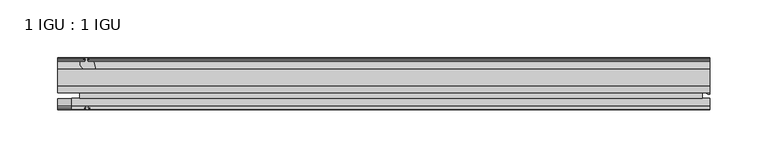
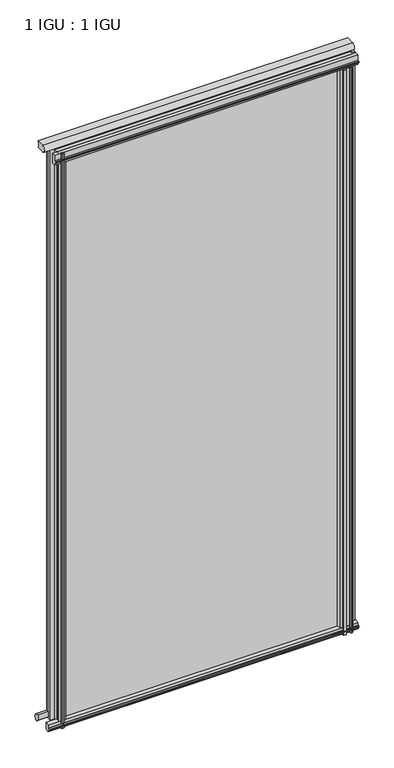
"""IFC4 building model written with IfcOpenShell, lengths in millimetres: plate geometry, 1 IGU : 1 IGU."""

import ifcopenshell
import ifcopenshell.guid

model = None  # the IFC model being written
_history = None  # IfcOwnerHistory: only IFC2X3 demands one
_inside = {}  # id of a spatial element -> (the spatial element, [elements in it])
_under = {}  # id of a project, library or spatial element -> (it, [spatial elements below it])
_declared = {}  # id of a project -> (the project, [libraries it declares])
_typed = {}  # id of a type object -> (the type object, [elements of that type])
_made_of = {}  # id of a material, layer set ... -> (it, [elements and type objects made of it])


def new_model(schema):
    """Start an empty IFC model of exactly this schema.

    Asked for "IFC4X3", IfcOpenShell would pick the latest addendum, in which some entities
    have other attributes; the version numbers below select the first issue.
    IFC2X3 requires an IfcOwnerHistory on every rooted entity: one is made here for all.
    """
    global model, _history
    if schema == "IFC4X3":
        model = ifcopenshell.file(schema_version=(4, 3, 0, 0))
    else:
        model = ifcopenshell.file(schema=schema)
    _inside.clear()
    _under.clear()
    _declared.clear()
    _typed.clear()
    _made_of.clear()
    _history = None
    if model.schema == "IFC2X3":
        org = make("IfcOrganization", Name="unknown")
        user = make(
            "IfcPersonAndOrganization",
            ThePerson=make("IfcPerson", FamilyName="unknown"),
            TheOrganization=org,
        )
        app = make(
            "IfcApplication",
            ApplicationDeveloper=org,
            Version="unknown",
            ApplicationFullName="unknown",
            ApplicationIdentifier="unknown",
        )
        _history = make(
            "IfcOwnerHistory",
            OwningUser=user,
            OwningApplication=app,
            ChangeAction="ADDED",
            CreationDate=0,
        )
    return model


def make(cls, **values):
    """One entity of the class cls with the attributes given. An attribute that is None is left unset."""
    return model.create_entity(
        cls, **{name: value for name, value in values.items() if value is not None}
    )


def rooted(cls, **values):
    """An entity with a GlobalId (a new one), such as an element, a storey or a relation."""
    return make(cls, GlobalId=ifcopenshell.guid.new(), OwnerHistory=_history, **values)


def si_unit(unit_type, name, prefix=None):
    """IfcSIUnit, for example si_unit("LENGTHUNIT", "METRE", prefix="MILLI")."""
    return make("IfcSIUnit", UnitType=unit_type, Prefix=prefix, Name=name)


def assignment(units):
    """IfcUnitAssignment: the units of a project."""
    return None if units is None else make("IfcUnitAssignment", Units=units)


def point(xyz):
    """IfcCartesianPoint."""
    return None if xyz is None else make("IfcCartesianPoint", Coordinates=xyz)


def direction(xyz):
    """IfcDirection."""
    return None if xyz is None else make("IfcDirection", DirectionRatios=xyz)


def frame(location, z_axis=None, x_axis=None):
    """IfcAxis2Placement3D, a coordinate frame: its origin and axes. An axis left out is left unset."""
    return make(
        "IfcAxis2Placement3D",
        Location=point(location),
        Axis=direction(z_axis),
        RefDirection=direction(x_axis),
    )


def frame_2d(location, x_axis=None):
    """IfcAxis2Placement2D, a coordinate frame in the plane: its origin and x axis."""
    return make(
        "IfcAxis2Placement2D", Location=point(location), RefDirection=direction(x_axis)
    )


def origin():
    """The frame at (0, 0, 0) with its axes left unset."""
    return frame((0.0, 0.0, 0.0))


def place(relative_to, where):
    """IfcLocalPlacement: puts the frame where relative to a parent placement (None: the world)."""
    return make(
        "IfcLocalPlacement", PlacementRelTo=relative_to, RelativePlacement=where
    )


def context(
    kind, dimensions, precision=None, world=None, true_north=None, identifier=None
):
    """IfcGeometricRepresentationContext, for example the 3D "Model" context."""
    return make(
        "IfcGeometricRepresentationContext",
        ContextIdentifier=identifier,
        ContextType=kind,
        CoordinateSpaceDimension=dimensions,
        Precision=precision,
        WorldCoordinateSystem=world,
        TrueNorth=true_north,
    )


def project(units=None, contexts=None):
    """IfcProject with its units and contexts."""
    return rooted(
        "IfcProject",
        Name="project",
        RepresentationContexts=contexts,
        UnitsInContext=assignment(units),
    )


def spatial(cls, under=None, at=None, **own):
    """A site, building, storey or space (cls), placed at a placement, below another one or the project."""
    s = rooted(cls, ObjectPlacement=at, **own)
    if under is not None:
        _under.setdefault(under.id(), (under, []))[1].append(s)
    return s


def polyline(points):
    """IfcPolyline through the points."""
    return make("IfcPolyline", Points=[point(p) for p in points])


def circle_curve(where, radius):
    """IfcCircle in the frame where."""
    return make("IfcCircle", Position=where, Radius=radius)


def ellipse_curve(where, semi_axis1, semi_axis2):
    """IfcEllipse in the frame where."""
    return make(
        "IfcEllipse", Position=where, SemiAxis1=semi_axis1, SemiAxis2=semi_axis2
    )


def trimmed(basis, trim1, trim2, sense, master):
    """IfcTrimmedCurve: the piece of a basis curve between two trims."""
    return make(
        "IfcTrimmedCurve",
        BasisCurve=basis,
        Trim1=trim1,
        Trim2=trim2,
        SenseAgreement=sense,
        MasterRepresentation=master,
    )


def segment(curve, same_sense, transition):
    """IfcCompositeCurveSegment."""
    return make(
        "IfcCompositeCurveSegment",
        Transition=transition,
        SameSense=same_sense,
        ParentCurve=curve,
    )


def composite_curve(segments, self_intersect=None):
    """IfcCompositeCurve: segments joined end to end."""
    return make("IfcCompositeCurve", Segments=segments, SelfIntersect=self_intersect)


def outline(outer, holes=None, kind="AREA"):
    """IfcArbitraryClosedProfileDef: a profile drawn as a closed curve; with holes, ...WithVoids."""
    if holes is None:
        return make("IfcArbitraryClosedProfileDef", ProfileType=kind, OuterCurve=outer)
    return make(
        "IfcArbitraryProfileDefWithVoids",
        ProfileType=kind,
        OuterCurve=outer,
        InnerCurves=holes,
    )


def extrude(swept, where, along, depth):
    """IfcExtrudedAreaSolid: the profile swept, set in the frame where, extruded along a direction by depth."""
    return make(
        "IfcExtrudedAreaSolid",
        SweptArea=swept,
        Position=where,
        ExtrudedDirection=direction(along),
        Depth=depth,
    )


def shape(context_of_items, identifier, shape_type, items):
    """IfcShapeRepresentation: the items that make up one representation, for example the "Body"."""
    return make(
        "IfcShapeRepresentation",
        ContextOfItems=context_of_items,
        RepresentationIdentifier=identifier,
        RepresentationType=shape_type,
        Items=items,
    )


def source(mapping_origin, context_of_items, identifier, shape_type, items):
    """IfcRepresentationMap: a shape defined once, which mapped items show again and again."""
    return make(
        "IfcRepresentationMap",
        MappingOrigin=mapping_origin,
        MappedRepresentation=shape(context_of_items, identifier, shape_type, items),
    )


def transform(
    local_origin,
    x_axis=None,
    y_axis=None,
    z_axis=None,
    scale=None,
    scale2=None,
    scale3=None,
    uniform=True,
):
    """IfcCartesianTransformationOperator3D, or its non-uniform kind. x_axis, y_axis, z_axis: its Axis1, 2, 3."""
    if uniform:
        return make(
            "IfcCartesianTransformationOperator3D",
            Axis1=direction(x_axis),
            Axis2=direction(y_axis),
            LocalOrigin=point(local_origin),
            Scale=scale,
            Axis3=direction(z_axis),
        )
    return make(
        "IfcCartesianTransformationOperator3DnonUniform",
        Axis1=direction(x_axis),
        Axis2=direction(y_axis),
        LocalOrigin=point(local_origin),
        Scale=scale,
        Axis3=direction(z_axis),
        Scale2=scale2,
        Scale3=scale3,
    )


def mapped(mapping_source, mapping_target):
    """IfcMappedItem: shows the shape of a source again, moved by a transform."""
    return make(
        "IfcMappedItem", MappingSource=mapping_source, MappingTarget=mapping_target
    )


def made_of(thing, what):
    """Note that an element or type object is made of a material, layer set ...; save() writes the relation."""
    if what is not None:
        _made_of.setdefault(what.id(), (what, []))[1].append(thing)
    return thing


def element(
    cls,
    number,
    at=None,
    inside=None,
    cuts=None,
    type_object=None,
    material=None,
    context=None,
    identifier="Body",
    shape_type=None,
    held_by="IfcProductDefinitionShape",
    body=None,
    shapes=None,
    **own,
):
    """One element of the class cls, such as IfcWall. Its Tag is "e" and its number.

    at: its placement. inside: the storey or other place that contains it. cuts: it is an
    opening in that element (IfcRelVoidsElement). A single representation is given by context,
    identifier, shape_type and body (its items); several are given by shapes. held_by: the class
    of the entity that holds the representations. save() writes the other relations.
    """
    e = rooted(cls, Tag="e%d" % number, ObjectPlacement=at, **own)
    if body is not None:
        shapes = [shape(context, identifier, shape_type, body)]
    if shapes is not None:
        e.Representation = make(held_by, Representations=shapes)
    if inside is not None:
        _inside.setdefault(inside.id(), (inside, []))[1].append(e)
    if cuts is not None:
        rooted(
            "IfcRelVoidsElement", RelatingBuildingElement=cuts, RelatedOpeningElement=e
        )
    if type_object is not None:
        _typed.setdefault(type_object.id(), (type_object, []))[1].append(e)
    return made_of(e, material)


def aggregate(whole, parts):
    """IfcRelAggregates: a whole, such as a stair, and the parts it consists of."""
    return rooted("IfcRelAggregates", RelatingObject=whole, RelatedObjects=parts)


def save(model, path):
    """Write the relations noted so far, then the file.

    IfcRelAggregates (storeys below a building ...), IfcRelContainedInSpatialStructure (elements
    in a storey), IfcRelDefinesByType, IfcRelAssociatesMaterial and IfcRelDeclares: one each for
    every whole, place, type object, material and project.
    """
    for whole, parts in _under.values():
        aggregate(whole, parts)
    for where, things in _inside.values():
        rooted(
            "IfcRelContainedInSpatialStructure",
            RelatedElements=things,
            RelatingStructure=where,
        )
    for kind, things in _typed.values():
        rooted("IfcRelDefinesByType", RelatedObjects=things, RelatingType=kind)
    for what, things in _made_of.values():
        rooted("IfcRelAssociatesMaterial", RelatedObjects=things, RelatingMaterial=what)
    for by, libraries in _declared.values():
        rooted("IfcRelDeclares", RelatingContext=by, RelatedDefinitions=libraries)
    model.write(path)


def plane_surface(at):
    """IfcPlane: the flat surface through the origin of the frame at, square to its z axis."""
    return make("IfcPlane", Position=at)


def cylinder_surface(at, radius):
    """IfcCylindricalSurface: all points at the distance radius from the z axis of the frame at."""
    return make("IfcCylindricalSurface", Position=at, Radius=radius)


def revolved_surface(curve, axis_point, axis_direction):
    """IfcSurfaceOfRevolution: the curve turned about the line through axis_point along axis_direction."""
    return make(
        "IfcSurfaceOfRevolution",
        SweptCurve=make("IfcArbitraryOpenProfileDef", ProfileType="CURVE", Curve=curve),
        AxisPosition=make("IfcAxis1Placement", Location=point(axis_point), Axis=direction(axis_direction)),
    )


def extruded_surface(curve, direction_of_extrusion, depth):
    """IfcSurfaceOfLinearExtrusion: the curve pushed along a direction by depth."""
    return make(
        "IfcSurfaceOfLinearExtrusion",
        SweptCurve=make("IfcArbitraryOpenProfileDef", ProfileType="CURVE", Curve=curve),
        ExtrudedDirection=direction(direction_of_extrusion),
        Depth=depth,
    )


def advanced_brep(points, edges, surfaces, faces):
    """IfcAdvancedBrep: a solid bounded by faces that lie on surfaces and meet in shared edges.

    An edge is (start, end): straight between two places in points (the first is 0);
    or (start, end, curve); or (start, end, curve, False) where it runs against its curve.
    A face is (place in surfaces, loops), or (place, loops, False) where it looks against
    its surface's normal. A loop lists edges by number (the first is 1), with a minus sign
    where the edge is run from its end to its start. The first loop is the outer one.
    """
    corners = [point(p) for p in points]
    vertices = [make("IfcVertexPoint", VertexGeometry=c) for c in corners]
    made = []
    for start, end, *more in edges:
        made.append(
            make(
                "IfcEdgeCurve",
                EdgeStart=vertices[start],
                EdgeEnd=vertices[end],
                EdgeGeometry=more[0] if more else make("IfcPolyline", Points=[corners[start], corners[end]]),
                SameSense=more[1] if len(more) > 1 else True,
            )
        )
    hull = []
    for where, loops, *sense in faces:
        bounds = []
        for j, loop in enumerate(loops):
            ring = [make("IfcOrientedEdge", EdgeElement=made[abs(k) - 1], Orientation=k > 0) for k in loop]
            bounds.append(
                make(
                    "IfcFaceOuterBound" if j == 0 else "IfcFaceBound",
                    Bound=make("IfcEdgeLoop", EdgeList=ring),
                    Orientation=True,
                )
            )
        hull.append(make("IfcAdvancedFace", Bounds=bounds, FaceSurface=surfaces[where], SameSense=sense[0] if sense else True))
    return make("IfcAdvancedBrep", Outer=make("IfcClosedShell", CfsFaces=hull))


def plate_1_igu_1_igu_7cd8f850(model_context):
    return source(origin(), model_context, "Body", "SolidModel", [
        extrude(outline(polyline([(-263.5249999, -38.6468937), (276.2249999, -38.6468937), (276.2249999, -44.9460938), (-263.5249999, -44.9460938), (-263.5249999, -38.6468937)])), frame((0.0, 0.0, -12.7), z_axis=(0.0, 0.0, 1.0), x_axis=(1.0, 0.0, 0.0)), (0.0, 0.0, 1.0), 1106.5764186),
        extrude(outline(polyline([(-263.5249999, -19.5460937), (276.2249999, -19.5460937), (276.2249999, -25.8960938), (-263.5249999, -25.8960938), (-263.5249999, -19.5460937)])), frame((0.0, 0.0, -12.7), z_axis=(0.0, 0.0, 1.0), x_axis=(1.0, 0.0, 0.0)), (0.0, 0.0, 1.0), 1106.5764186),
        advanced_brep(
        [(282.5749999, -21.1709383, -12.4587), (282.5749999, -41.5384061, -12.4587), (275.0526628, -32.2460938, -12.4587), (276.2249999, -25.8452938, -12.4587), (276.2249999, -19.5460938, -12.4587), (282.5749999, -21.1709383, 1093.8764186), (276.2249999, -19.5460938, 1093.8764186), (276.2249999, -25.8452938, 1093.8764186), (275.0526628, -32.2460938, 1093.8764186), (282.5749999, -41.5384061, 1093.8764186)],
        [
            (0, 1),
            (1, 2, ellipse_curve(frame((282.5749999, -32.2460938, -12.4587), z_axis=(0.0, 0.0, -1.0), x_axis=(0.0, -1.0, 0.0)), 9.2923124, 7.5223371)),
            (2, 3, circle_curve(frame((293.1125763, -32.2460938, -12.4587), z_axis=(0.0, 0.0, -1.0), x_axis=(1.0, 0.0, 0.0)), 18.0599135)),
            (3, 4),
            (4, 0, circle_curve(frame((282.5749999, -7.950406, -12.4587), z_axis=(0.0, 0.0, 1.0), x_axis=(1.0, 0.0, 0.0)), 13.2205323)),
            (5, 6, circle_curve(frame((282.5749999, -7.950406, 1093.8764186), z_axis=(0.0, 0.0, -1.0), x_axis=(1.0, 0.0, 0.0)), 13.2205323)),
            (6, 7),
            (7, 8, circle_curve(frame((293.1125763, -32.2460938, 1093.8764186), z_axis=(0.0, 0.0, 1.0), x_axis=(1.0, 0.0, 0.0)), 18.0599135)),
            (8, 9, ellipse_curve(frame((282.5749999, -32.2460938, 1093.8764186), z_axis=(0.0, 0.0, 1.0), x_axis=(0.0, -1.0, 0.0)), 9.2923124, 7.5223371)),
            (9, 5),
            (1, 9),
            (8, 2),
            (7, 3),
            (6, 4),
            (5, 0),
        ],
        [
            plane_surface(frame((282.5749999, -13.1960938, -12.4587), z_axis=(0.0, 0.0, -1.0), x_axis=(0.0, 1.0, 0.0))),
            plane_surface(frame((282.5749999, -13.1960938, 1093.8764186), z_axis=(0.0, 0.0, 1.0), x_axis=(0.0, 1.0, 0.0))),
            extruded_surface(trimmed(ellipse_curve(frame((282.5749999, -32.2460938, 1093.8764186), z_axis=(0.0, 0.0, -1.0), x_axis=(0.0, -1.0, 0.0)), 9.2923124, 7.5223371), [point((282.5749999, -41.5384061, 1093.8764186))], [point((275.0526628, -32.2460938, 1093.8764186))], True, "CARTESIAN"), (0.0, 0.0, -1106.3351186), 1106.3351186),
            cylinder_surface(frame((293.1125763, -32.2460938, -12.4587), z_axis=(0.0, 0.0, -1.0), x_axis=(1.0, 0.0, 0.0)), 18.0599135),
            plane_surface(frame((276.2249999, -25.8452938, -12.4587), z_axis=(-1.0, 0.0, 0.0), x_axis=(0.0, 0.0, 1.0))),
            revolved_surface(polyline([(295.7955322, -7.950406, 1093.8764186), (295.7955322, -7.950406, -12.4587)]), (282.5749999, -7.950406, -12.4587), (0.0, 0.0, 1.0)),
            plane_surface(frame((282.5749999, -21.1709383, -12.4587), z_axis=(1.0, 0.0, 0.0), x_axis=(0.0, 0.0, 1.0))),
        ],
        [
            (0, [[1, 2, 3, 4, 5]]),
            (1, [[6, 7, 8, 9, 10]]),
            (2, [[-2, 11, -9, 12]]),
            (3, [[-3, -12, -8, 13]]),
            (4, [[-4, -13, -7, 14]]),
            (5, [[-5, -14, -6, 15]]),
            (6, [[-1, -15, -10, -11]]),
        ],
    ),
        extrude(outline(polyline([(-44.9460937, 1.7177181), (-44.9460937, -9.1036578), (-48.3496937, -11.938), (-51.2960937, -11.938), (-51.2960937, -7.493), (-53.6762907, -7.112), (-53.2163575, -8.5275291), (-54.0175717, -8.5275291), (-54.7250937, -6.35), (-54.0175717, -4.1724709), (-53.2163575, -4.1724709), (-53.6762907, -5.588), (-51.2960937, -5.207), (-51.2960937, 0.0), (-44.9460937, 1.7177181)])), frame((-282.5749999, 0.0, 0.0), z_axis=(1.0, 0.0, 0.0), x_axis=(0.0, 1.0, 0.0)), (0.0, 0.0, 1.0), 565.1499998),
        extrude(outline(polyline([(-13.1960937, -12.4587), (-16.1424937, -12.4587), (-19.5460937, -9.6243578), (-19.5460937, 1.1970181), (-13.1960937, -0.5207), (-13.1960937, -5.7277), (-10.8158968, -6.1087), (-11.27583, -4.6931709), (-10.4746158, -4.6931709), (-9.7670937, -6.8707), (-10.4746158, -9.0482291), (-11.27583, -9.0482291), (-10.8158968, -7.6327), (-13.1960937, -8.0137), (-13.1960937, -12.4587)])), frame((-282.5749999, 0.0, 0.0), z_axis=(1.0, 0.0, 0.0), x_axis=(0.0, 1.0, 0.0)), (0.0, 0.0, 1.0), 565.1499998),
        extrude(outline(composite_curve([segment(polyline([(-44.9380025, 1074.7385163), (-51.2960937, 1074.7385163), (-51.2960937, 1079.5645163), (-54.1955564, 1079.5645163), (-54.8194621, 1080.5418087)]), True, "CONTINUOUS"), segment(trimmed(circle_curve(frame_2d((-53.9630937, 1081.0885163)), 1.016), [point((-54.8194621, 1080.5418087))], [point((-54.8194621, 1081.6352239))], False, "CARTESIAN"), True, "CONTINUOUS"), segment(polyline([(-54.8194621, 1081.6352239), (-54.1955564, 1082.6125163), (-51.2878033, 1082.6125163), (-51.2916866, 1093.7771998), (-44.9380025, 1093.7771998), (-44.9380025, 1074.7385163)]), True, "CONTINUOUS")], self_intersect=False)), frame((-270.3172938, 0.0, 0.0), z_axis=(1.0, 0.0, 0.0), x_axis=(0.0, 1.0, 0.0)), (0.0, 0.0, 1.0), 552.8922937),
        extrude(outline(composite_curve([segment(polyline([(273.0500001, -44.9460938), (273.0500001, -51.2960938), (271.3990001, -51.2960938), (271.3990001, -52.9470938), (272.4766308, -52.9470938)]), True, "CONTINUOUS"), segment(trimmed(circle_curve(frame_2d((271.3990001, -52.9470938)), 1.0776307), [point((272.4766308, -52.9470938))], [point((272.1610001, -53.7090938))], False, "CARTESIAN"), True, "CONTINUOUS"), segment(polyline([(272.1610001, -53.7090938), (270.4217077, -54.8194621)]), True, "CONTINUOUS"), segment(trimmed(circle_curve(frame_2d((269.8750001, -53.9630938)), 1.016), [point((270.4217077, -54.8194621))], [point((269.3282925, -54.8194621))], False, "CARTESIAN"), True, "CONTINUOUS"), segment(polyline([(269.3282925, -54.8194621), (267.5890001, -53.7090938)]), True, "CONTINUOUS"), segment(trimmed(circle_curve(frame_2d((268.3510001, -52.9470938)), 1.0776307), [point((267.5890001, -53.7090938))], [point((267.2733693, -52.9470938))], False, "CARTESIAN"), True, "CONTINUOUS"), segment(polyline([(267.2733693, -52.9470938), (268.3510001, -52.9470938), (268.3510001, -51.2960938), (259.2832001, -51.2960938)]), True, "CONTINUOUS"), segment(trimmed(circle_curve(frame_2d((259.2832001, -51.7532938)), 0.4572), [point((259.2832001, -51.2960938))], [point((258.9443822, -52.0602698))], True, "CARTESIAN"), True, "CONTINUOUS"), segment(trimmed(circle_curve(frame_2d((257.1750001, -53.663367)), 2.3876), [point((258.9443822, -52.0602698))], [point((259.2456431, -54.8520938))], False, "CARTESIAN"), True, "CONTINUOUS"), segment(polyline([(259.2456431, -54.8520938), (255.1043571, -54.8520938)]), True, "CONTINUOUS"), segment(trimmed(circle_curve(frame_2d((257.1750001, -53.663367)), 2.3876), [point((255.1043571, -54.8520938))], [point((255.4056179, -52.0602698))], False, "CARTESIAN"), True, "CONTINUOUS"), segment(trimmed(circle_curve(frame_2d((255.0668001, -51.7532938)), 0.4572), [point((255.4056179, -52.0602698))], [point((255.0668001, -51.2960938))], True, "CARTESIAN"), True, "CONTINUOUS"), segment(polyline([(255.0668001, -51.2960938), (250.8250001, -51.2960938)]), True, "CONTINUOUS"), segment(trimmed(circle_curve(frame_2d((241.8090686, -51.9750196)), 9.0414579), [point((250.8250001, -51.2960938))], [point((247.4960855, -44.9460938))], True, "CARTESIAN"), True, "CONTINUOUS"), segment(polyline([(247.4960855, -44.9460938), (273.0500001, -44.9460938)]), True, "CONTINUOUS")], self_intersect=False)), frame((0.0, 0.0, -12.7), z_axis=(0.0, 0.0, 1.0), x_axis=(1.0, 0.0, 0.0)), (0.0, 0.0, 1.0), 1087.5264186),
        extrude(outline(polyline([(-257.6956999, -9.7670937), (-255.5181709, -10.4746158), (-255.5181709, -11.27583), (-256.9336999, -10.8158968), (-256.5526999, -13.1960937), (-251.3456999, -13.1960937), (-249.6279818, -19.5460937), (-260.4493578, -19.5460937), (-263.2836999, -16.1424937), (-263.2836999, -13.1960937), (-258.8386999, -13.1960937), (-258.4576999, -10.8158968), (-259.873229, -11.27583), (-259.873229, -10.4746158), (-257.6956999, -9.7670937)])), frame((0.0, 0.0, -12.7), z_axis=(0.0, 0.0, 1.0), x_axis=(1.0, 0.0, 0.0)), (0.0, 0.0, 1.0), 1106.5764187),
        extrude(outline(polyline([(-262.7629999, -48.3496937), (-259.9286578, -44.9460937), (-249.1072818, -44.9460937), (-250.8249999, -51.2960937), (-256.0319999, -51.2960937), (-256.4129999, -53.6762907), (-254.9974709, -53.2163575), (-254.9974709, -54.0175717), (-257.1749999, -54.7250937), (-259.352529, -54.0175717), (-259.352529, -53.2163575), (-257.9369999, -53.6762907), (-258.3179999, -51.2960937), (-262.7629999, -51.2960937), (-262.7629999, -48.3496937)])), frame((0.0, 0.0, -12.7), z_axis=(0.0, 0.0, 1.0), x_axis=(1.0, 0.0, 0.0)), (0.0, 0.0, 1.0), 1106.5764187),
        extrude(outline(composite_curve([segment(trimmed(circle_curve(frame_2d((-9.2245666, 1100.1899978)), 12.1106873), [point((-19.5460937, 1106.525203))], [point((-19.5460937, 1093.8547926))], True, "CARTESIAN"), True, "CONTINUOUS"), segment(polyline([(-19.5460937, 1093.8547926), (-33.8757421, 1093.8547926)]), True, "CONTINUOUS"), segment(trimmed(circle_curve(frame_2d((-33.8757421, 1100.1899978)), 6.3352052), [point((-33.8757421, 1093.8547926))], [point((-33.8757421, 1106.525203))], False, "CARTESIAN"), True, "CONTINUOUS"), segment(polyline([(-33.8757421, 1106.525203), (-19.5460937, 1106.525203)]), True, "CONTINUOUS")], self_intersect=False)), frame((-282.5749999, 0.0, 0.0), z_axis=(1.0, 0.0, 0.0), x_axis=(0.0, 1.0, 0.0)), (0.0, 0.0, 1.0), 565.1499998),
    ])


if __name__ == "__main__":
    model = new_model("IFC4")
    model_context = context("Model", 3, world=origin())
    ifc_project = project(units=[si_unit("LENGTHUNIT", "METRE", prefix="MILLI")], contexts=[model_context])
    site = spatial("IfcSite", under=ifc_project)
    building = spatial("IfcBuilding", under=site)
    placement = place(None, origin())
    plate_1_igu_1_igu_shape = plate_1_igu_1_igu_7cd8f850(model_context)
    element("IfcPlate", 1, ObjectType="1 IGU : 1 IGU", at=placement, inside=building, context=model_context, shape_type="MappedRepresentation", body=[
        mapped(plate_1_igu_1_igu_shape, transform((0.0, 0.0, 0.0), x_axis=(1.0, 0.0, 0.0), y_axis=(0.0, 1.0, 0.0), z_axis=(0.0, 0.0, 1.0))),
    ])
    save(model, "model.ifc")
